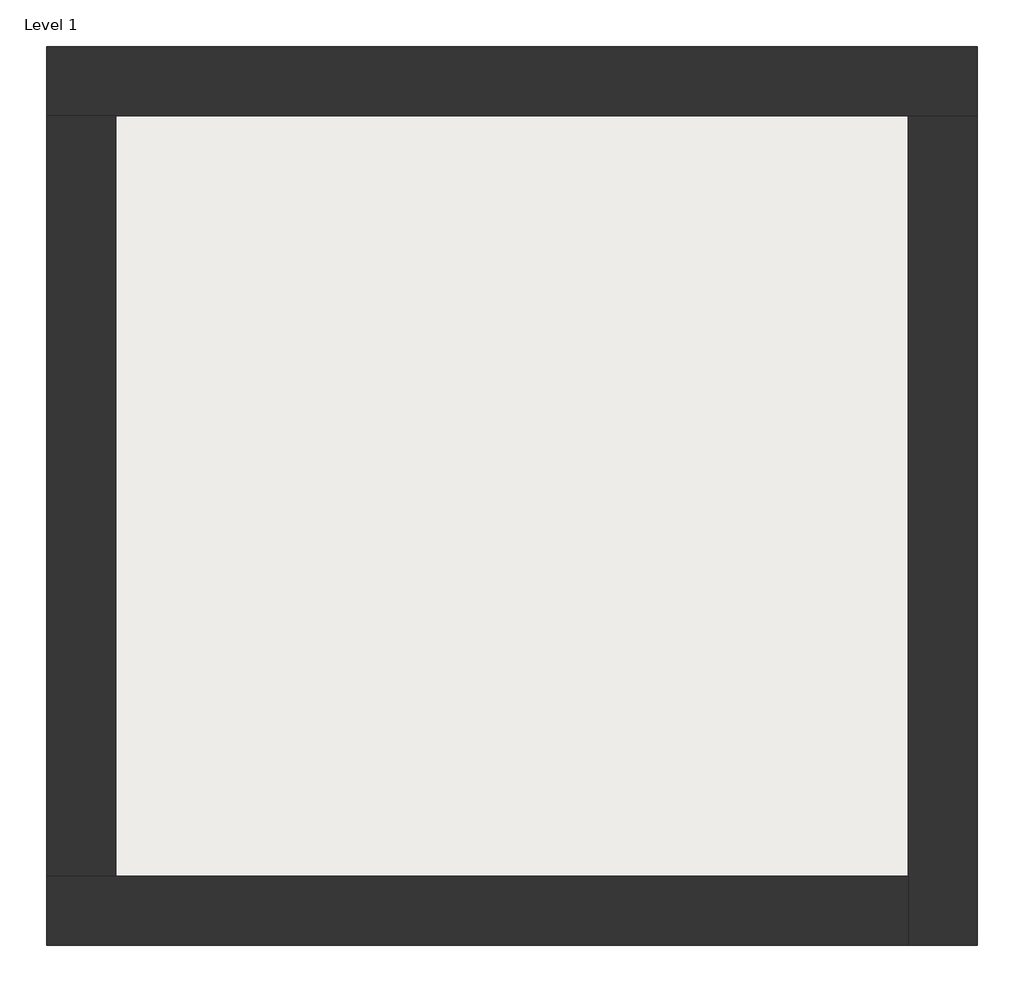
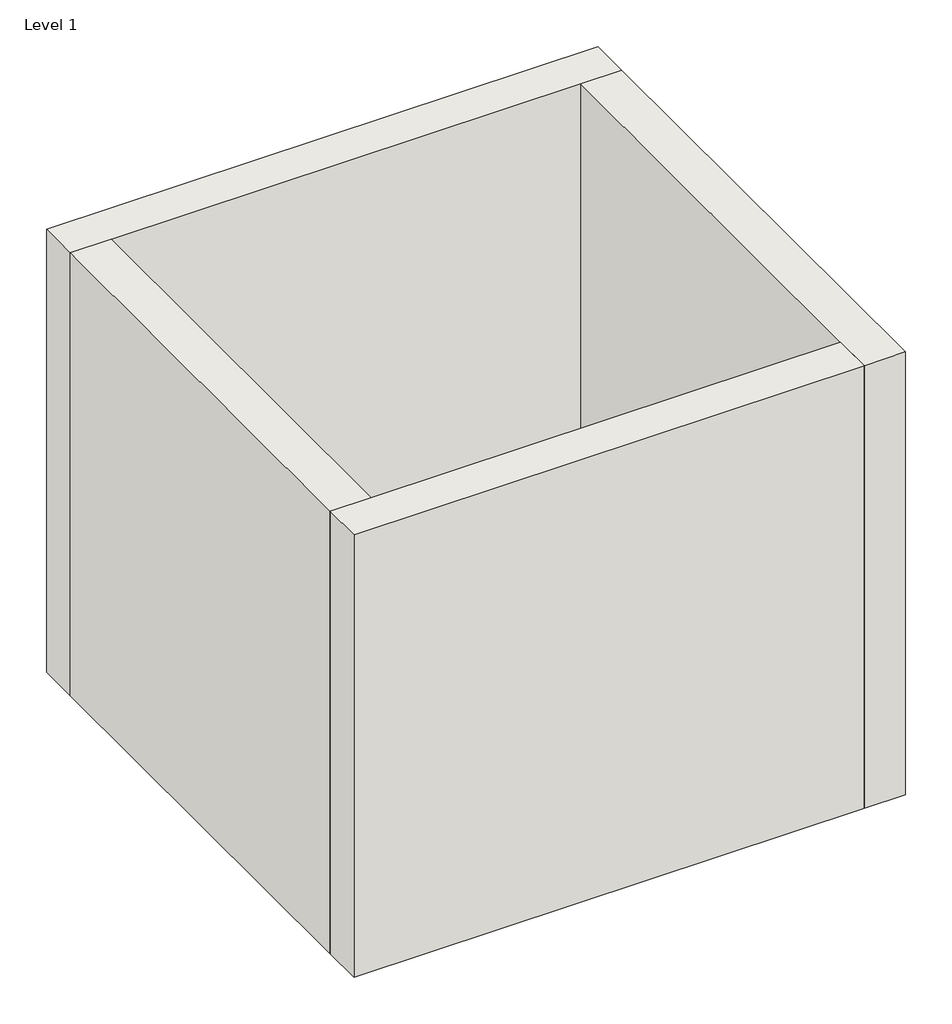
# One storey: 4 walls, 1 slab.
"""IFC4 building model written with IfcOpenShell, lengths in millimetres."""

from ifc_helpers import new_model, si_unit, frame, origin, origin_with_axes, place, context, project, spatial, polyline, outline, extrude, faceted_brep, element, save

model = new_model("IFC4")

# Units and contexts
model_context = context("Model", 3, world=origin())
ifc_project = project(units=[si_unit("LENGTHUNIT", "METRE", prefix="MILLI")], contexts=[model_context])

# Site, building, storey
site = spatial("IfcSite", under=ifc_project)
building = spatial("IfcBuilding", under=site)
storey = spatial("IfcBuildingStorey", under=building, Name="Level 1", Elevation=0.0)

# Slab
placement = place(None, origin())
element("IfcSlab", 1, at=placement, inside=storey, context=model_context, shape_type="SweptSolid", body=[
    extrude(outline(polyline([(-10869.3573003, 6934.2750283), (-10869.3573003, 3058.2750283), (-14907.8573003, 3058.2750283), (-14907.8573003, 6934.2750283), (-10869.3573003, 6934.2750283)])), frame((0.0, 0.0, 7.8), z_axis=(0.0, 0.0, 1.0), x_axis=(1.0, 0.0, 0.0)), (0.0, 0.0, 1.0), 92.2),
])

# Walls
element("IfcWall", 2, ObjectType="Exterior - Brick on Mtl. Stud", at=placement, inside=storey, context=model_context, shape_type="Brep", body=[
    faceted_brep([(-15244.8573003, 6921.2750283, 0.0), (-14894.8573003, 6921.2750283, 0.0), (-10882.3573003, 6921.2750283, 0.0), (-10532.3573003, 6921.2750283, 0.0), (-10532.3573003, 6921.2750283, 4000.0), (-10882.3573003, 6921.2750283, 4000.0), (-14894.8573003, 6921.2750283, 4000.0), (-15244.8573003, 6921.2750283, 4000.0), (-15244.8573003, 7271.2750283, 0.0), (-15244.8573003, 7271.2750283, 4000.0), (-10532.3573003, 7271.2750283, 4000.0), (-10532.3573003, 7271.2750283, 0.0)], [[[0, 1, 2, 3, 4, 5, 6, 7]], [[8, 9, 10, 11]], [[3, 2, 1, 0, 8, 11]], [[7, 6, 5, 4, 10, 9]], [[0, 7, 9, 8]], [[4, 3, 11, 10]]]),
])
element("IfcWall", 3, ObjectType="Exterior - Brick on Mtl. Stud", at=placement, inside=storey, context=model_context, shape_type="Brep", body=[
    faceted_brep([(-10882.3573003, 6921.2750283, 0.0), (-10882.3573003, 3071.2750283, 0.0), (-10882.3573003, 2721.2750283, 0.0), (-10882.3573003, 2721.2750283, 4000.0), (-10882.3573003, 3071.2750283, 4000.0), (-10882.3573003, 6921.2750283, 4000.0), (-10532.3573003, 6921.2750283, 0.0), (-10532.3573003, 6921.2750283, 4000.0), (-10532.3573003, 2721.2750283, 4000.0), (-10532.3573003, 2721.2750283, 0.0)], [[[0, 1, 2, 3, 4, 5]], [[6, 7, 8, 9]], [[2, 1, 0, 6, 9]], [[5, 4, 3, 8, 7]], [[3, 2, 9, 8]], [[0, 5, 7, 6]]]),
])
element("IfcWall", 4, ObjectType="Exterior - Brick on Mtl. Stud", at=placement, inside=storey, context=model_context, shape_type="Brep", body=[
    faceted_brep([(-10882.3573003, 3071.2750283, 0.0), (-14894.8573003, 3071.2750283, 0.0), (-15244.8573003, 3071.2750283, 0.0), (-15244.8573003, 3071.2750283, 4000.0), (-14894.8573003, 3071.2750283, 4000.0), (-10882.3573003, 3071.2750283, 4000.0), (-10882.3573003, 2721.2750283, 0.0), (-10882.3573003, 2721.2750283, 4000.0), (-15244.8573003, 2721.2750283, 4000.0), (-15244.8573003, 2721.2750283, 0.0)], [[[0, 1, 2, 3, 4, 5]], [[6, 7, 8, 9]], [[2, 1, 0, 6, 9]], [[5, 4, 3, 8, 7]], [[3, 2, 9, 8]], [[0, 5, 7, 6]]]),
])
element("IfcWall", 5, ObjectType="Exterior - Brick on Mtl. Stud", at=placement, inside=storey, context=model_context, shape_type="SweptSolid", body=[
    extrude(outline(polyline([(-14894.8573003, 6921.2750283), (-14894.8573003, 3071.2750283), (-15244.8573003, 3071.2750283), (-15244.8573003, 6921.2750283), (-14894.8573003, 6921.2750283)])), origin_with_axes(), (0.0, 0.0, 1.0), 4000.0),
])

save(model, "model.ifc")
